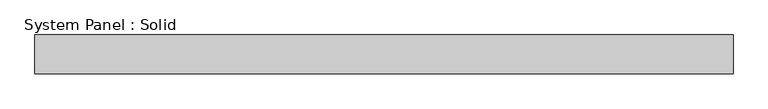
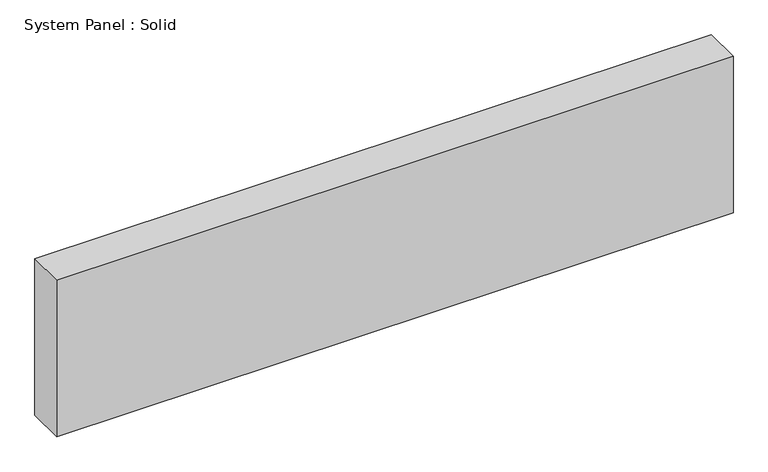
"""IFC4 building model written with IfcOpenShell, lengths in millimetres: plate geometry, System Panel : Solid."""

import ifcopenshell
import ifcopenshell.guid

model = None  # the IFC model being written
_history = None  # IfcOwnerHistory: only IFC2X3 demands one
_inside = {}  # id of a spatial element -> (the spatial element, [elements in it])
_under = {}  # id of a project, library or spatial element -> (it, [spatial elements below it])
_declared = {}  # id of a project -> (the project, [libraries it declares])
_typed = {}  # id of a type object -> (the type object, [elements of that type])
_made_of = {}  # id of a material, layer set ... -> (it, [elements and type objects made of it])


def new_model(schema):
    """Start an empty IFC model of exactly this schema.

    Asked for "IFC4X3", IfcOpenShell would pick the latest addendum, in which some entities
    have other attributes; the version numbers below select the first issue.
    IFC2X3 requires an IfcOwnerHistory on every rooted entity: one is made here for all.
    """
    global model, _history
    if schema == "IFC4X3":
        model = ifcopenshell.file(schema_version=(4, 3, 0, 0))
    else:
        model = ifcopenshell.file(schema=schema)
    _inside.clear()
    _under.clear()
    _declared.clear()
    _typed.clear()
    _made_of.clear()
    _history = None
    if model.schema == "IFC2X3":
        org = make("IfcOrganization", Name="unknown")
        user = make(
            "IfcPersonAndOrganization",
            ThePerson=make("IfcPerson", FamilyName="unknown"),
            TheOrganization=org,
        )
        app = make(
            "IfcApplication",
            ApplicationDeveloper=org,
            Version="unknown",
            ApplicationFullName="unknown",
            ApplicationIdentifier="unknown",
        )
        _history = make(
            "IfcOwnerHistory",
            OwningUser=user,
            OwningApplication=app,
            ChangeAction="ADDED",
            CreationDate=0,
        )
    return model


def make(cls, **values):
    """One entity of the class cls with the attributes given. An attribute that is None is left unset."""
    return model.create_entity(
        cls, **{name: value for name, value in values.items() if value is not None}
    )


def rooted(cls, **values):
    """An entity with a GlobalId (a new one), such as an element, a storey or a relation."""
    return make(cls, GlobalId=ifcopenshell.guid.new(), OwnerHistory=_history, **values)


def si_unit(unit_type, name, prefix=None):
    """IfcSIUnit, for example si_unit("LENGTHUNIT", "METRE", prefix="MILLI")."""
    return make("IfcSIUnit", UnitType=unit_type, Prefix=prefix, Name=name)


def assignment(units):
    """IfcUnitAssignment: the units of a project."""
    return None if units is None else make("IfcUnitAssignment", Units=units)


def point(xyz):
    """IfcCartesianPoint."""
    return None if xyz is None else make("IfcCartesianPoint", Coordinates=xyz)


def direction(xyz):
    """IfcDirection."""
    return None if xyz is None else make("IfcDirection", DirectionRatios=xyz)


def frame(location, z_axis=None, x_axis=None):
    """IfcAxis2Placement3D, a coordinate frame: its origin and axes. An axis left out is left unset."""
    return make(
        "IfcAxis2Placement3D",
        Location=point(location),
        Axis=direction(z_axis),
        RefDirection=direction(x_axis),
    )


def origin():
    """The frame at (0, 0, 0) with its axes left unset."""
    return frame((0.0, 0.0, 0.0))


def origin_with_axes():
    """The frame at (0, 0, 0) with the z axis (0, 0, 1) and the x axis (1, 0, 0) written out."""
    return frame((0.0, 0.0, 0.0), z_axis=(0.0, 0.0, 1.0), x_axis=(1.0, 0.0, 0.0))


def place(relative_to, where):
    """IfcLocalPlacement: puts the frame where relative to a parent placement (None: the world)."""
    return make(
        "IfcLocalPlacement", PlacementRelTo=relative_to, RelativePlacement=where
    )


def context(
    kind, dimensions, precision=None, world=None, true_north=None, identifier=None
):
    """IfcGeometricRepresentationContext, for example the 3D "Model" context."""
    return make(
        "IfcGeometricRepresentationContext",
        ContextIdentifier=identifier,
        ContextType=kind,
        CoordinateSpaceDimension=dimensions,
        Precision=precision,
        WorldCoordinateSystem=world,
        TrueNorth=true_north,
    )


def project(units=None, contexts=None):
    """IfcProject with its units and contexts."""
    return rooted(
        "IfcProject",
        Name="project",
        RepresentationContexts=contexts,
        UnitsInContext=assignment(units),
    )


def spatial(cls, under=None, at=None, **own):
    """A site, building, storey or space (cls), placed at a placement, below another one or the project."""
    s = rooted(cls, ObjectPlacement=at, **own)
    if under is not None:
        _under.setdefault(under.id(), (under, []))[1].append(s)
    return s


def polyline(points):
    """IfcPolyline through the points."""
    return make("IfcPolyline", Points=[point(p) for p in points])


def outline(outer, holes=None, kind="AREA"):
    """IfcArbitraryClosedProfileDef: a profile drawn as a closed curve; with holes, ...WithVoids."""
    if holes is None:
        return make("IfcArbitraryClosedProfileDef", ProfileType=kind, OuterCurve=outer)
    return make(
        "IfcArbitraryProfileDefWithVoids",
        ProfileType=kind,
        OuterCurve=outer,
        InnerCurves=holes,
    )


def extrude(swept, where, along, depth):
    """IfcExtrudedAreaSolid: the profile swept, set in the frame where, extruded along a direction by depth."""
    return make(
        "IfcExtrudedAreaSolid",
        SweptArea=swept,
        Position=where,
        ExtrudedDirection=direction(along),
        Depth=depth,
    )


def shape(context_of_items, identifier, shape_type, items):
    """IfcShapeRepresentation: the items that make up one representation, for example the "Body"."""
    return make(
        "IfcShapeRepresentation",
        ContextOfItems=context_of_items,
        RepresentationIdentifier=identifier,
        RepresentationType=shape_type,
        Items=items,
    )


def source(mapping_origin, context_of_items, identifier, shape_type, items):
    """IfcRepresentationMap: a shape defined once, which mapped items show again and again."""
    return make(
        "IfcRepresentationMap",
        MappingOrigin=mapping_origin,
        MappedRepresentation=shape(context_of_items, identifier, shape_type, items),
    )


def transform(
    local_origin,
    x_axis=None,
    y_axis=None,
    z_axis=None,
    scale=None,
    scale2=None,
    scale3=None,
    uniform=True,
):
    """IfcCartesianTransformationOperator3D, or its non-uniform kind. x_axis, y_axis, z_axis: its Axis1, 2, 3."""
    if uniform:
        return make(
            "IfcCartesianTransformationOperator3D",
            Axis1=direction(x_axis),
            Axis2=direction(y_axis),
            LocalOrigin=point(local_origin),
            Scale=scale,
            Axis3=direction(z_axis),
        )
    return make(
        "IfcCartesianTransformationOperator3DnonUniform",
        Axis1=direction(x_axis),
        Axis2=direction(y_axis),
        LocalOrigin=point(local_origin),
        Scale=scale,
        Axis3=direction(z_axis),
        Scale2=scale2,
        Scale3=scale3,
    )


def mapped(mapping_source, mapping_target):
    """IfcMappedItem: shows the shape of a source again, moved by a transform."""
    return make(
        "IfcMappedItem", MappingSource=mapping_source, MappingTarget=mapping_target
    )


def made_of(thing, what):
    """Note that an element or type object is made of a material, layer set ...; save() writes the relation."""
    if what is not None:
        _made_of.setdefault(what.id(), (what, []))[1].append(thing)
    return thing


def element(
    cls,
    number,
    at=None,
    inside=None,
    cuts=None,
    type_object=None,
    material=None,
    context=None,
    identifier="Body",
    shape_type=None,
    held_by="IfcProductDefinitionShape",
    body=None,
    shapes=None,
    **own,
):
    """One element of the class cls, such as IfcWall. Its Tag is "e" and its number.

    at: its placement. inside: the storey or other place that contains it. cuts: it is an
    opening in that element (IfcRelVoidsElement). A single representation is given by context,
    identifier, shape_type and body (its items); several are given by shapes. held_by: the class
    of the entity that holds the representations. save() writes the other relations.
    """
    e = rooted(cls, Tag="e%d" % number, ObjectPlacement=at, **own)
    if body is not None:
        shapes = [shape(context, identifier, shape_type, body)]
    if shapes is not None:
        e.Representation = make(held_by, Representations=shapes)
    if inside is not None:
        _inside.setdefault(inside.id(), (inside, []))[1].append(e)
    if cuts is not None:
        rooted(
            "IfcRelVoidsElement", RelatingBuildingElement=cuts, RelatedOpeningElement=e
        )
    if type_object is not None:
        _typed.setdefault(type_object.id(), (type_object, []))[1].append(e)
    return made_of(e, material)


def aggregate(whole, parts):
    """IfcRelAggregates: a whole, such as a stair, and the parts it consists of."""
    return rooted("IfcRelAggregates", RelatingObject=whole, RelatedObjects=parts)


def save(model, path):
    """Write the relations noted so far, then the file.

    IfcRelAggregates (storeys below a building ...), IfcRelContainedInSpatialStructure (elements
    in a storey), IfcRelDefinesByType, IfcRelAssociatesMaterial and IfcRelDeclares: one each for
    every whole, place, type object, material and project.
    """
    for whole, parts in _under.values():
        aggregate(whole, parts)
    for where, things in _inside.values():
        rooted(
            "IfcRelContainedInSpatialStructure",
            RelatedElements=things,
            RelatingStructure=where,
        )
    for kind, things in _typed.values():
        rooted("IfcRelDefinesByType", RelatedObjects=things, RelatingType=kind)
    for what, things in _made_of.values():
        rooted("IfcRelAssociatesMaterial", RelatedObjects=things, RelatingMaterial=what)
    for by, libraries in _declared.values():
        rooted("IfcRelDeclares", RelatingContext=by, RelatedDefinitions=libraries)
    model.write(path)


def system_panel_solid_83a1f236(model_context):
    return source(origin(), model_context, "Body", "SweptSolid", [
        extrude(outline(polyline([(571.5, -44.45), (-571.5, -44.45), (-571.5, 19.05), (571.5, 19.05), (571.5, -44.45)])), origin_with_axes(), (0.0, 0.0, 1.0), 279.4),
    ])


if __name__ == "__main__":
    model = new_model("IFC4")
    model_context = context("Model", 3, world=origin())
    ifc_project = project(units=[si_unit("LENGTHUNIT", "METRE", prefix="MILLI")], contexts=[model_context])
    site = spatial("IfcSite", under=ifc_project)
    building = spatial("IfcBuilding", under=site)
    placement = place(None, origin())
    system_panel_solid_shape = system_panel_solid_83a1f236(model_context)
    element("IfcPlate", 1, ObjectType="System Panel : Solid", at=placement, inside=building, context=model_context, shape_type="MappedRepresentation", body=[
        mapped(system_panel_solid_shape, transform((0.0, 0.0, 0.0), x_axis=(1.0, 0.0, 0.0), y_axis=(0.0, 1.0, 0.0), z_axis=(0.0, 0.0, 1.0))),
    ])
    save(model, "model.ifc")
